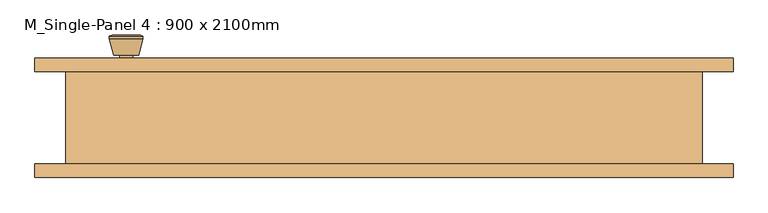
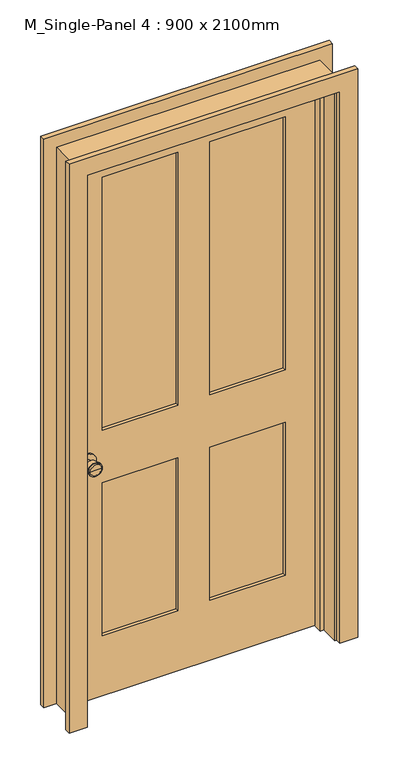
"""IFC4 building model written with IfcOpenShell, lengths in millimetres: door geometry, M_Single-Panel 4 : 900 x 2100mm."""

from ifc_helpers import new_model, si_unit, point, frame, frame_2d, origin, place, context, project, spatial, polyline, circle_curve, trimmed, segment, composite_curve, outline, extrude, faceted_brep, source, transform, mapped, element, save
from ifc_brep_helpers import plane_surface, cylinder_surface, revolved_surface, advanced_brep


def m_single_panel_4_900_x_2100mm_8cfb04a6(model_context):
    return source(origin(), model_context, "Body", "SolidModel", [
        advanced_brep(
        [(-385.0, 25.075, 914.4), (-375.0, 25.075, 914.4), (-395.0, 25.075, 914.4), (-364.5241324, -23.925, 914.4), (-385.0, -23.925, 914.4), (-405.4758676, -23.925, 914.4), (-360.0, -22.0971319, 914.4), (-410.0, -22.0971319, 914.4), (-360.0, -18.6334537, 914.4), (-410.0, -18.6334537, 914.4), (-366.363764, 6.075, 914.4), (-403.636236, 6.075, 914.4), (-375.0, 6.075, 914.4), (-395.0, 6.075, 914.4)],
        [
            (0, 1),
            (1, 2, circle_curve(frame((-385.0, 25.075, 914.4), z_axis=(0.0, 1.0, 0.0), x_axis=(-1.0, 0.0, 0.0)), 10.0)),
            (2, 0),
            (2, 1, circle_curve(frame((-385.0, 25.075, 914.4), z_axis=(0.0, 1.0, 0.0), x_axis=(-1.0, 0.0, 0.0)), 10.0)),
            (3, 4),
            (4, 5),
            (5, 3, circle_curve(frame((-385.0, -23.925, 914.4), z_axis=(0.0, -1.0, 0.0), x_axis=(-1.0, 0.0, 0.0)), 20.4758676)),
            (3, 5, circle_curve(frame((-385.0, -23.925, 914.4), z_axis=(0.0, -1.0, 0.0), x_axis=(-1.0, 0.0, 0.0)), 20.4758676)),
            (6, 3),
            (5, 7),
            (7, 6, circle_curve(frame((-385.0, -22.0971319, 914.4), z_axis=(0.0, -1.0, 0.0), x_axis=(-1.0, 0.0, 0.0)), 25.0)),
            (6, 7, circle_curve(frame((-385.0, -22.0971319, 914.4), z_axis=(0.0, -1.0, 0.0), x_axis=(-1.0, 0.0, 0.0)), 25.0)),
            (8, 6),
            (7, 9),
            (9, 8, circle_curve(frame((-385.0, -18.6334537, 914.4), z_axis=(0.0, -1.0, 0.0), x_axis=(-1.0, 0.0, 0.0)), 25.0)),
            (8, 9, circle_curve(frame((-385.0, -18.6334537, 914.4), z_axis=(0.0, -1.0, 0.0), x_axis=(-1.0, 0.0, 0.0)), 25.0)),
            (10, 8),
            (9, 11),
            (11, 10, circle_curve(frame((-385.0, 6.075, 914.4), z_axis=(0.0, -1.0, 0.0), x_axis=(-1.0, 0.0, 0.0)), 18.636236)),
            (10, 11, circle_curve(frame((-385.0, 6.075, 914.4), z_axis=(0.0, -1.0, 0.0), x_axis=(-1.0, 0.0, 0.0)), 18.636236)),
            (12, 10),
            (11, 13),
            (13, 12, circle_curve(frame((-385.0, 6.075, 914.4), z_axis=(0.0, -1.0, 0.0), x_axis=(-1.0, 0.0, 0.0)), 10.0)),
            (12, 13, circle_curve(frame((-385.0, 6.075, 914.4), z_axis=(0.0, -1.0, 0.0), x_axis=(-1.0, 0.0, 0.0)), 10.0)),
            (1, 12),
            (13, 2),
        ],
        [
            plane_surface(frame((-385.0, 25.075, 914.4), z_axis=(0.0, 1.0, 0.0), x_axis=(-1.0, 0.0, 0.0))),
            plane_surface(frame((-385.0, -23.925, 914.4), z_axis=(0.0, -1.0, 0.0), x_axis=(-1.0, 0.0, 0.0))),
            revolved_surface(polyline([(-405.4758676, -23.925, 914.4), (-410.0, -22.0971319, 914.4)]), (-385.0, 25.075, 914.4), (0.0, 1.0, 0.0)),
            cylinder_surface(frame((-385.0, 25.075, 914.4), z_axis=(0.0, 1.0, 0.0), x_axis=(-1.0, 0.0, 0.0)), 25.0),
            revolved_surface(polyline([(-410.0, -18.6334537, 914.4), (-403.636236, 6.075, 914.4)]), (-385.0, 25.075, 914.4), (0.0, 1.0, 0.0)),
            plane_surface(frame((-385.0, 6.075, 914.4), z_axis=(0.0, 1.0, 0.0), x_axis=(-1.0, 0.0, 0.0))),
            cylinder_surface(frame((-385.0, 25.075, 914.4), z_axis=(0.0, 1.0, 0.0), x_axis=(-1.0, 0.0, 0.0)), 10.0),
        ],
        [
            (0, [[1, 2, 3]]),
            (0, [[-3, 4, -1]]),
            (1, [[5, 6, 7]]),
            (1, [[-6, -5, 8]]),
            (2, [[9, -7, 10, 11]]),
            (2, [[-10, -8, -9, 12]]),
            (3, [[13, -11, 14, 15]]),
            (3, [[-14, -12, -13, 16]]),
            (4, [[17, -15, 18, 19]]),
            (4, [[-18, -16, -17, 20]]),
            (5, [[21, -19, 22, 23]]),
            (5, [[-22, -20, -21, 24]]),
            (6, [[25, -23, 26, -2]]),
            (6, [[-26, -24, -25, -4]]),
        ],
    ),
        extrude(outline(composite_curve([segment(trimmed(circle_curve(frame_2d((914.4, -385.0)), 30.0), [point((914.4, -415.0))], [point((914.4, -355.0))], False, "CARTESIAN"), True, "CONTINUOUS"), segment(trimmed(circle_curve(frame_2d((914.4, -385.0)), 30.0), [point((914.4, -355.0))], [point((914.4, -415.0))], False, "CARTESIAN"), True, "CONTINUOUS")], self_intersect=False)), frame((0.0, 25.075, 0.0), z_axis=(0.0, 1.0, 0.0), x_axis=(0.0, 0.0, 1.0)), (0.0, 0.0, 1.0), 6.0),
        advanced_brep(
        [(-385.0, 72.075, 914.4), (-395.0, 72.075, 914.4), (-375.0, 72.075, 914.4), (-364.5241324, 121.075, 914.4), (-405.4758676, 121.075, 914.4), (-385.0, 121.075, 914.4), (-360.0, 119.2471319, 914.4), (-410.0, 119.2471319, 914.4), (-360.0, 115.7834537, 914.4), (-410.0, 115.7834537, 914.4), (-366.363764, 91.075, 914.4), (-403.636236, 91.075, 914.4), (-375.0, 91.075, 914.4), (-395.0, 91.075, 914.4)],
        [
            (0, 1),
            (1, 2, circle_curve(frame((-385.0, 72.075, 914.4), z_axis=(0.0, -1.0, 0.0), x_axis=(-1.0, 0.0, 0.0)), 10.0)),
            (2, 0),
            (2, 1, circle_curve(frame((-385.0, 72.075, 914.4), z_axis=(0.0, -1.0, 0.0), x_axis=(-1.0, 0.0, 0.0)), 10.0)),
            (3, 4, circle_curve(frame((-385.0, 121.075, 914.4), z_axis=(0.0, 1.0, 0.0), x_axis=(-1.0, 0.0, 0.0)), 20.4758676)),
            (4, 5),
            (5, 3),
            (4, 3, circle_curve(frame((-385.0, 121.075, 914.4), z_axis=(0.0, 1.0, 0.0), x_axis=(-1.0, 0.0, 0.0)), 20.4758676)),
            (6, 7, circle_curve(frame((-385.0, 119.2471319, 914.4), z_axis=(0.0, 1.0, 0.0), x_axis=(-1.0, 0.0, 0.0)), 25.0)),
            (7, 4),
            (3, 6),
            (7, 6, circle_curve(frame((-385.0, 119.2471319, 914.4), z_axis=(0.0, 1.0, 0.0), x_axis=(-1.0, 0.0, 0.0)), 25.0)),
            (8, 9, circle_curve(frame((-385.0, 115.7834537, 914.4), z_axis=(0.0, 1.0, 0.0), x_axis=(-1.0, 0.0, 0.0)), 25.0)),
            (9, 7),
            (6, 8),
            (9, 8, circle_curve(frame((-385.0, 115.7834537, 914.4), z_axis=(0.0, 1.0, 0.0), x_axis=(-1.0, 0.0, 0.0)), 25.0)),
            (10, 11, circle_curve(frame((-385.0, 91.075, 914.4), z_axis=(0.0, 1.0, 0.0), x_axis=(-1.0, 0.0, 0.0)), 18.636236)),
            (11, 9),
            (8, 10),
            (11, 10, circle_curve(frame((-385.0, 91.075, 914.4), z_axis=(0.0, 1.0, 0.0), x_axis=(-1.0, 0.0, 0.0)), 18.636236)),
            (12, 13, circle_curve(frame((-385.0, 91.075, 914.4), z_axis=(0.0, 1.0, 0.0), x_axis=(-1.0, 0.0, 0.0)), 10.0)),
            (13, 11),
            (10, 12),
            (13, 12, circle_curve(frame((-385.0, 91.075, 914.4), z_axis=(0.0, 1.0, 0.0), x_axis=(-1.0, 0.0, 0.0)), 10.0)),
            (1, 13),
            (12, 2),
        ],
        [
            plane_surface(frame((-385.0, 72.075, 914.4), z_axis=(0.0, -1.0, 0.0), x_axis=(-1.0, 0.0, 0.0))),
            plane_surface(frame((-385.0, 121.075, 914.4), z_axis=(0.0, 1.0, 0.0), x_axis=(-1.0, 0.0, 0.0))),
            revolved_surface(polyline([(-405.4758676, 121.075, 914.4), (-410.0, 119.2471319, 914.4)]), (-385.0, 72.075, 914.4), (0.0, -1.0, 0.0)),
            cylinder_surface(frame((-385.0, 72.075, 914.4), z_axis=(0.0, -1.0, 0.0), x_axis=(-1.0, 0.0, 0.0)), 25.0),
            revolved_surface(polyline([(-410.0, 115.7834537, 914.4), (-403.636236, 91.075, 914.4)]), (-385.0, 72.075, 914.4), (0.0, -1.0, 0.0)),
            plane_surface(frame((-385.0, 91.075, 914.4), z_axis=(0.0, -1.0, 0.0), x_axis=(-1.0, 0.0, 0.0))),
            cylinder_surface(frame((-385.0, 72.075, 914.4), z_axis=(0.0, -1.0, 0.0), x_axis=(-1.0, 0.0, 0.0)), 10.0),
        ],
        [
            (0, [[1, 2, 3]]),
            (0, [[-3, 4, -1]]),
            (1, [[5, 6, 7]]),
            (1, [[8, -7, -6]]),
            (2, [[9, 10, -5, 11]]),
            (2, [[12, -11, -8, -10]]),
            (3, [[13, 14, -9, 15]]),
            (3, [[16, -15, -12, -14]]),
            (4, [[17, 18, -13, 19]]),
            (4, [[20, -19, -16, -18]]),
            (5, [[21, 22, -17, 23]]),
            (5, [[24, -23, -20, -22]]),
            (6, [[-2, 25, -21, 26]]),
            (6, [[-4, -26, -24, -25]]),
        ],
    ),
        extrude(outline(composite_curve([segment(trimmed(circle_curve(frame_2d((914.4, -385.0)), 30.0), [point((914.4, -415.0))], [point((914.4, -355.0))], False, "CARTESIAN"), True, "CONTINUOUS"), segment(trimmed(circle_curve(frame_2d((914.4, -385.0)), 30.0), [point((914.4, -355.0))], [point((914.4, -415.0))], False, "CARTESIAN"), True, "CONTINUOUS")], self_intersect=False)), frame((0.0, 66.075, 0.0), z_axis=(0.0, 1.0, 0.0), x_axis=(0.0, 0.0, 1.0)), (0.0, 0.0, 1.0), 6.0),
        extrude(outline(polyline([(330.0, 42.7416667), (57.5, 42.7416667), (57.5, 54.4083333), (330.0, 54.4083333), (330.0, 42.7416667)])), frame((0.0, 0.0, 1014.4), z_axis=(0.0, 0.0, 1.0), x_axis=(1.0, 0.0, 0.0)), (0.0, 0.0, 1.0), 965.6),
        extrude(outline(polyline([(-57.5, 42.7416667), (-330.0, 42.7416667), (-330.0, 54.4083333), (-57.5, 54.4083333), (-57.5, 42.7416667)])), frame((0.0, 0.0, 1014.4), z_axis=(0.0, 0.0, 1.0), x_axis=(1.0, 0.0, 0.0)), (0.0, 0.0, 1.0), 965.6),
        extrude(outline(polyline([(330.0, 42.7416667), (57.5, 42.7416667), (57.5, 54.4083333), (330.0, 54.4083333), (330.0, 42.7416667)])), frame((0.0, 0.0, 230.0), z_axis=(0.0, 0.0, 1.0), x_axis=(1.0, 0.0, 0.0)), (0.0, 0.0, 1.0), 584.4),
        extrude(outline(polyline([(-57.5, 42.7416667), (-330.0, 42.7416667), (-330.0, 54.4083333), (-57.5, 54.4083333), (-57.5, 42.7416667)])), frame((0.0, 0.0, 230.0), z_axis=(0.0, 0.0, 1.0), x_axis=(1.0, 0.0, 0.0)), (0.0, 0.0, 1.0), 584.4),
        extrude(outline(polyline([(2100.0, -450.0), (0.0, -450.0), (0.0, 450.0), (2100.0, 450.0), (2100.0, -450.0)]), holes=[polyline([(1980.0, 57.5), (1980.0, 330.0), (1014.4, 330.0), (1014.4, 57.5), (1980.0, 57.5)]), polyline([(1014.4, -57.5), (1014.4, -330.0), (1980.0, -330.0), (1980.0, -57.5), (1014.4, -57.5)]), polyline([(814.4, 57.5), (814.4, 330.0), (230.0, 330.0), (230.0, 57.5), (814.4, 57.5)]), polyline([(230.0, -57.5), (230.0, -330.0), (814.4, -330.0), (814.4, -57.5), (230.0, -57.5)])]), frame((0.0, 31.075, 0.0), z_axis=(0.0, 1.0, 0.0), x_axis=(0.0, 0.0, 1.0)), (0.0, 0.0, 1.0), 35.0),
        faceted_brep([(475.0, 66.075, 0.0), (475.0, -72.425, 0.0), (450.0, -72.425, 0.0), (450.0, -3.85, 0.0), (437.3, -3.85, 0.0), (437.3, 31.075, 0.0), (450.0, 31.075, 0.0), (450.0, 66.075, 0.0), (475.0, 66.075, 2125.0), (475.0, -72.425, 2125.0), (-475.0, -72.425, 2125.0), (-475.0, -72.425, 0.0), (-450.0, -72.425, 0.0), (-450.0, -72.425, 2100.0), (450.0, -72.425, 2100.0), (450.0, -3.85, 2100.0), (-450.0, -3.85, 2100.0), (-450.0, -3.85, 0.0), (-437.3, -3.85, 0.0), (-437.3, -3.85, 2087.3), (437.3, -3.85, 2087.3), (437.3, 31.075, 2087.3), (-437.3, 31.075, 2087.3), (-437.3, 31.075, 0.0), (-450.0, 31.075, 0.0), (-450.0, 31.075, 2100.0), (450.0, 31.075, 2100.0), (450.0, 66.075, 2100.0), (-450.0, 66.075, 2100.0), (-450.0, 66.075, 0.0), (-475.0, 66.075, 0.0), (-475.0, 66.075, 2125.0)], [[[0, 1, 2, 3, 4, 5, 6, 7]], [[1, 0, 8, 9]], [[2, 1, 9, 10, 11, 12, 13, 14]], [[3, 2, 14, 15]], [[4, 3, 15, 16, 17, 18, 19, 20]], [[5, 4, 20, 21]], [[6, 5, 21, 22, 23, 24, 25, 26]], [[7, 6, 26, 27]], [[0, 7, 27, 28, 29, 30, 31, 8]], [[9, 8, 31, 10]], [[15, 14, 13, 16]], [[21, 20, 19, 22]], [[27, 26, 25, 28]], [[30, 29, 24, 23, 18, 17, 12, 11]], [[10, 31, 30, 11]], [[16, 13, 12, 17]], [[22, 19, 18, 23]], [[28, 25, 24, 29]]]),
        extrude(outline(polyline([(0.0, 456.35), (0.0, 521.35), (2171.35, 521.35), (2171.35, -521.35), (0.0, -521.35), (0.0, -456.35), (2106.35, -456.35), (2106.35, 456.35), (0.0, 456.35)])), frame((0.0, -92.425, 0.0), z_axis=(0.0, 1.0, 0.0), x_axis=(0.0, 0.0, 1.0)), (0.0, 0.0, 1.0), 20.0),
        extrude(outline(polyline([(0.0, 456.35), (0.0, 521.35), (2171.35, 521.35), (2171.35, -521.35), (0.0, -521.35), (0.0, -456.35), (2106.35, -456.35), (2106.35, 456.35), (0.0, 456.35)])), frame((0.0, 66.075, 0.0), z_axis=(0.0, 1.0, 0.0), x_axis=(0.0, 0.0, 1.0)), (0.0, 0.0, 1.0), 20.0),
    ])


if __name__ == "__main__":
    model = new_model("IFC4")
    model_context = context("Model", 3, world=origin())
    ifc_project = project(units=[si_unit("LENGTHUNIT", "METRE", prefix="MILLI")], contexts=[model_context])
    site = spatial("IfcSite", under=ifc_project)
    building = spatial("IfcBuilding", under=site)
    placement = place(None, origin())
    m_single_panel_4_900_x_2100mm_shape = m_single_panel_4_900_x_2100mm_8cfb04a6(model_context)
    element("IfcDoor", 1, ObjectType="M_Single-Panel 4 : 900 x 2100mm", at=placement, inside=building, context=model_context, shape_type="MappedRepresentation", body=[
        mapped(m_single_panel_4_900_x_2100mm_shape, transform((0.0, 0.0, 0.0), x_axis=(1.0, 0.0, 0.0), y_axis=(0.0, 1.0, 0.0), z_axis=(0.0, 0.0, 1.0))),
    ])
    save(model, "model.ifc")
